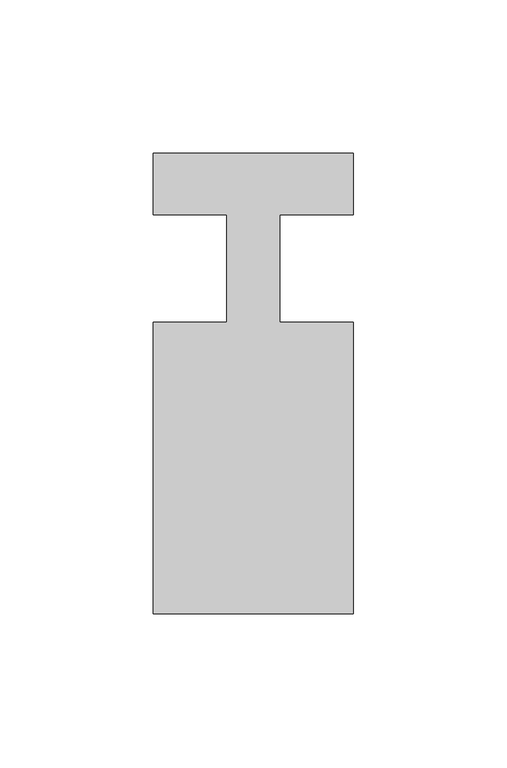
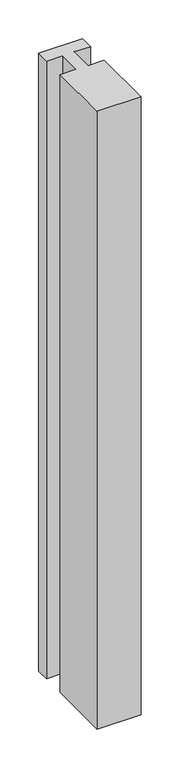
"""IFC4 building model written with IfcOpenShell, lengths in millimetres: member geometry."""

from ifc_helpers import new_model, si_unit, frame, origin, place, context, project, spatial, polyline, outline, extrude, source, transform, mapped, element, save


def member_624e23c7(model_context):
    return source(origin(), model_context, "Body", "SweptSolid", [
        extrude(outline(polyline([(0.0, 37.0), (0.0, 17.0), (-23.8125, 17.0), (-23.8125, -18.0), (0.0, -18.0), (0.0, -113.0), (-65.0, -113.0), (-65.0, -18.0), (-41.1875, -18.0), (-41.1875, 17.0), (-65.0, 17.0), (-65.0, 37.0), (0.0, 37.0)])), frame((0.0, 0.0, -968.3333333), z_axis=(0.0, 0.0, 1.0), x_axis=(1.0, 0.0, 0.0)), (0.0, 0.0, 1.0), 968.3333333),
    ])


if __name__ == "__main__":
    model = new_model("IFC4")
    model_context = context("Model", 3, world=origin())
    ifc_project = project(units=[si_unit("LENGTHUNIT", "METRE", prefix="MILLI")], contexts=[model_context])
    site = spatial("IfcSite", under=ifc_project)
    building = spatial("IfcBuilding", under=site)
    placement = place(None, origin())
    member_shape = member_624e23c7(model_context)
    element("IfcMember", 1, at=placement, inside=building, context=model_context, shape_type="MappedRepresentation", body=[
        mapped(member_shape, transform((0.0, 0.0, 0.0), x_axis=(1.0, 0.0, 0.0), y_axis=(0.0, 1.0, 0.0), z_axis=(0.0, 0.0, 1.0))),
    ])
    save(model, "model.ifc")
